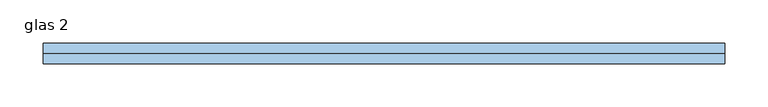
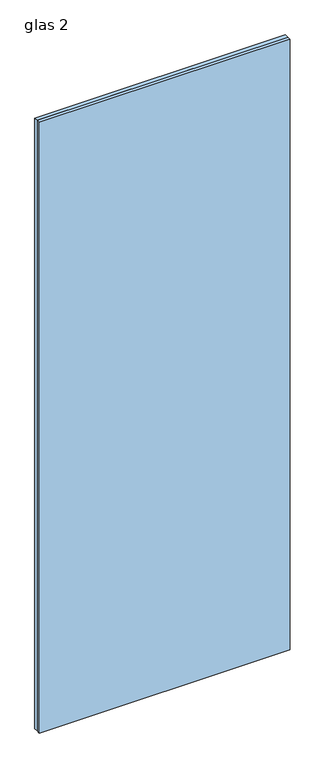
"""IFC4 building model written with IfcOpenShell, lengths in millimetres: window geometry, glas 2."""

import ifcopenshell
import ifcopenshell.guid

model = None  # the IFC model being written
_history = None  # IfcOwnerHistory: only IFC2X3 demands one
_inside = {}  # id of a spatial element -> (the spatial element, [elements in it])
_under = {}  # id of a project, library or spatial element -> (it, [spatial elements below it])
_declared = {}  # id of a project -> (the project, [libraries it declares])
_typed = {}  # id of a type object -> (the type object, [elements of that type])
_made_of = {}  # id of a material, layer set ... -> (it, [elements and type objects made of it])


def new_model(schema):
    """Start an empty IFC model of exactly this schema.

    Asked for "IFC4X3", IfcOpenShell would pick the latest addendum, in which some entities
    have other attributes; the version numbers below select the first issue.
    IFC2X3 requires an IfcOwnerHistory on every rooted entity: one is made here for all.
    """
    global model, _history
    if schema == "IFC4X3":
        model = ifcopenshell.file(schema_version=(4, 3, 0, 0))
    else:
        model = ifcopenshell.file(schema=schema)
    _inside.clear()
    _under.clear()
    _declared.clear()
    _typed.clear()
    _made_of.clear()
    _history = None
    if model.schema == "IFC2X3":
        org = make("IfcOrganization", Name="unknown")
        user = make(
            "IfcPersonAndOrganization",
            ThePerson=make("IfcPerson", FamilyName="unknown"),
            TheOrganization=org,
        )
        app = make(
            "IfcApplication",
            ApplicationDeveloper=org,
            Version="unknown",
            ApplicationFullName="unknown",
            ApplicationIdentifier="unknown",
        )
        _history = make(
            "IfcOwnerHistory",
            OwningUser=user,
            OwningApplication=app,
            ChangeAction="ADDED",
            CreationDate=0,
        )
    return model


def make(cls, **values):
    """One entity of the class cls with the attributes given. An attribute that is None is left unset."""
    return model.create_entity(
        cls, **{name: value for name, value in values.items() if value is not None}
    )


def rooted(cls, **values):
    """An entity with a GlobalId (a new one), such as an element, a storey or a relation."""
    return make(cls, GlobalId=ifcopenshell.guid.new(), OwnerHistory=_history, **values)


def si_unit(unit_type, name, prefix=None):
    """IfcSIUnit, for example si_unit("LENGTHUNIT", "METRE", prefix="MILLI")."""
    return make("IfcSIUnit", UnitType=unit_type, Prefix=prefix, Name=name)


def assignment(units):
    """IfcUnitAssignment: the units of a project."""
    return None if units is None else make("IfcUnitAssignment", Units=units)


def point(xyz):
    """IfcCartesianPoint."""
    return None if xyz is None else make("IfcCartesianPoint", Coordinates=xyz)


def direction(xyz):
    """IfcDirection."""
    return None if xyz is None else make("IfcDirection", DirectionRatios=xyz)


def frame(location, z_axis=None, x_axis=None):
    """IfcAxis2Placement3D, a coordinate frame: its origin and axes. An axis left out is left unset."""
    return make(
        "IfcAxis2Placement3D",
        Location=point(location),
        Axis=direction(z_axis),
        RefDirection=direction(x_axis),
    )


def origin():
    """The frame at (0, 0, 0) with its axes left unset."""
    return frame((0.0, 0.0, 0.0))


def origin_with_axes():
    """The frame at (0, 0, 0) with the z axis (0, 0, 1) and the x axis (1, 0, 0) written out."""
    return frame((0.0, 0.0, 0.0), z_axis=(0.0, 0.0, 1.0), x_axis=(1.0, 0.0, 0.0))


def place(relative_to, where):
    """IfcLocalPlacement: puts the frame where relative to a parent placement (None: the world)."""
    return make(
        "IfcLocalPlacement", PlacementRelTo=relative_to, RelativePlacement=where
    )


def context(
    kind, dimensions, precision=None, world=None, true_north=None, identifier=None
):
    """IfcGeometricRepresentationContext, for example the 3D "Model" context."""
    return make(
        "IfcGeometricRepresentationContext",
        ContextIdentifier=identifier,
        ContextType=kind,
        CoordinateSpaceDimension=dimensions,
        Precision=precision,
        WorldCoordinateSystem=world,
        TrueNorth=true_north,
    )


def project(units=None, contexts=None):
    """IfcProject with its units and contexts."""
    return rooted(
        "IfcProject",
        Name="project",
        RepresentationContexts=contexts,
        UnitsInContext=assignment(units),
    )


def spatial(cls, under=None, at=None, **own):
    """A site, building, storey or space (cls), placed at a placement, below another one or the project."""
    s = rooted(cls, ObjectPlacement=at, **own)
    if under is not None:
        _under.setdefault(under.id(), (under, []))[1].append(s)
    return s


def polyline(points):
    """IfcPolyline through the points."""
    return make("IfcPolyline", Points=[point(p) for p in points])


def outline(outer, holes=None, kind="AREA"):
    """IfcArbitraryClosedProfileDef: a profile drawn as a closed curve; with holes, ...WithVoids."""
    if holes is None:
        return make("IfcArbitraryClosedProfileDef", ProfileType=kind, OuterCurve=outer)
    return make(
        "IfcArbitraryProfileDefWithVoids",
        ProfileType=kind,
        OuterCurve=outer,
        InnerCurves=holes,
    )


def extrude(swept, where, along, depth):
    """IfcExtrudedAreaSolid: the profile swept, set in the frame where, extruded along a direction by depth."""
    return make(
        "IfcExtrudedAreaSolid",
        SweptArea=swept,
        Position=where,
        ExtrudedDirection=direction(along),
        Depth=depth,
    )


def shape(context_of_items, identifier, shape_type, items):
    """IfcShapeRepresentation: the items that make up one representation, for example the "Body"."""
    return make(
        "IfcShapeRepresentation",
        ContextOfItems=context_of_items,
        RepresentationIdentifier=identifier,
        RepresentationType=shape_type,
        Items=items,
    )


def source(mapping_origin, context_of_items, identifier, shape_type, items):
    """IfcRepresentationMap: a shape defined once, which mapped items show again and again."""
    return make(
        "IfcRepresentationMap",
        MappingOrigin=mapping_origin,
        MappedRepresentation=shape(context_of_items, identifier, shape_type, items),
    )


def transform(
    local_origin,
    x_axis=None,
    y_axis=None,
    z_axis=None,
    scale=None,
    scale2=None,
    scale3=None,
    uniform=True,
):
    """IfcCartesianTransformationOperator3D, or its non-uniform kind. x_axis, y_axis, z_axis: its Axis1, 2, 3."""
    if uniform:
        return make(
            "IfcCartesianTransformationOperator3D",
            Axis1=direction(x_axis),
            Axis2=direction(y_axis),
            LocalOrigin=point(local_origin),
            Scale=scale,
            Axis3=direction(z_axis),
        )
    return make(
        "IfcCartesianTransformationOperator3DnonUniform",
        Axis1=direction(x_axis),
        Axis2=direction(y_axis),
        LocalOrigin=point(local_origin),
        Scale=scale,
        Axis3=direction(z_axis),
        Scale2=scale2,
        Scale3=scale3,
    )


def mapped(mapping_source, mapping_target):
    """IfcMappedItem: shows the shape of a source again, moved by a transform."""
    return make(
        "IfcMappedItem", MappingSource=mapping_source, MappingTarget=mapping_target
    )


def made_of(thing, what):
    """Note that an element or type object is made of a material, layer set ...; save() writes the relation."""
    if what is not None:
        _made_of.setdefault(what.id(), (what, []))[1].append(thing)
    return thing


def element(
    cls,
    number,
    at=None,
    inside=None,
    cuts=None,
    type_object=None,
    material=None,
    context=None,
    identifier="Body",
    shape_type=None,
    held_by="IfcProductDefinitionShape",
    body=None,
    shapes=None,
    **own,
):
    """One element of the class cls, such as IfcWall. Its Tag is "e" and its number.

    at: its placement. inside: the storey or other place that contains it. cuts: it is an
    opening in that element (IfcRelVoidsElement). A single representation is given by context,
    identifier, shape_type and body (its items); several are given by shapes. held_by: the class
    of the entity that holds the representations. save() writes the other relations.
    """
    e = rooted(cls, Tag="e%d" % number, ObjectPlacement=at, **own)
    if body is not None:
        shapes = [shape(context, identifier, shape_type, body)]
    if shapes is not None:
        e.Representation = make(held_by, Representations=shapes)
    if inside is not None:
        _inside.setdefault(inside.id(), (inside, []))[1].append(e)
    if cuts is not None:
        rooted(
            "IfcRelVoidsElement", RelatingBuildingElement=cuts, RelatedOpeningElement=e
        )
    if type_object is not None:
        _typed.setdefault(type_object.id(), (type_object, []))[1].append(e)
    return made_of(e, material)


def aggregate(whole, parts):
    """IfcRelAggregates: a whole, such as a stair, and the parts it consists of."""
    return rooted("IfcRelAggregates", RelatingObject=whole, RelatedObjects=parts)


def save(model, path):
    """Write the relations noted so far, then the file.

    IfcRelAggregates (storeys below a building ...), IfcRelContainedInSpatialStructure (elements
    in a storey), IfcRelDefinesByType, IfcRelAssociatesMaterial and IfcRelDeclares: one each for
    every whole, place, type object, material and project.
    """
    for whole, parts in _under.values():
        aggregate(whole, parts)
    for where, things in _inside.values():
        rooted(
            "IfcRelContainedInSpatialStructure",
            RelatedElements=things,
            RelatingStructure=where,
        )
    for kind, things in _typed.values():
        rooted("IfcRelDefinesByType", RelatedObjects=things, RelatingType=kind)
    for what, things in _made_of.values():
        rooted("IfcRelAssociatesMaterial", RelatedObjects=things, RelatingMaterial=what)
    for by, libraries in _declared.values():
        rooted("IfcRelDeclares", RelatingContext=by, RelatedDefinitions=libraries)
    model.write(path)


def glas_2_4149659d(model_context):
    return source(origin(), model_context, "Body", "SweptSolid", [
        extrude(outline(polyline([(-396.5, 12.0), (396.5, 12.0), (396.5, 0.0), (-396.5, 0.0), (-396.5, 12.0)])), origin_with_axes(), (0.0, 0.0, 1.0), 2039.5),
        extrude(outline(polyline([(-396.5, 0.0), (396.5, 0.0), (396.5, -12.0), (-396.5, -12.0), (-396.5, 0.0)])), origin_with_axes(), (0.0, 0.0, 1.0), 2039.5),
    ])


if __name__ == "__main__":
    model = new_model("IFC4")
    model_context = context("Model", 3, world=origin())
    ifc_project = project(units=[si_unit("LENGTHUNIT", "METRE", prefix="MILLI")], contexts=[model_context])
    site = spatial("IfcSite", under=ifc_project)
    building = spatial("IfcBuilding", under=site)
    placement = place(None, origin())
    glas_2_shape = glas_2_4149659d(model_context)
    element("IfcWindow", 1, ObjectType="glas 2", at=placement, inside=building, context=model_context, shape_type="MappedRepresentation", body=[
        mapped(glas_2_shape, transform((0.0, 0.0, 0.0), x_axis=(1.0, 0.0, 0.0), y_axis=(0.0, 1.0, 0.0), z_axis=(0.0, 0.0, 1.0))),
    ])
    save(model, "model.ifc")
